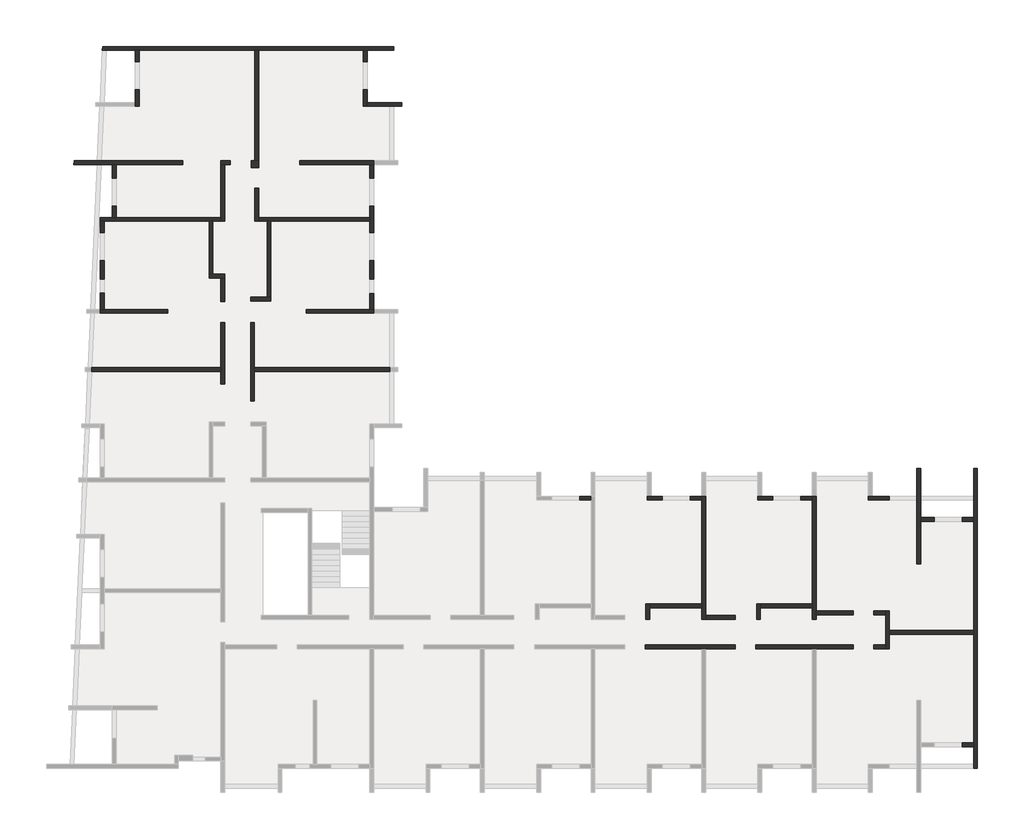
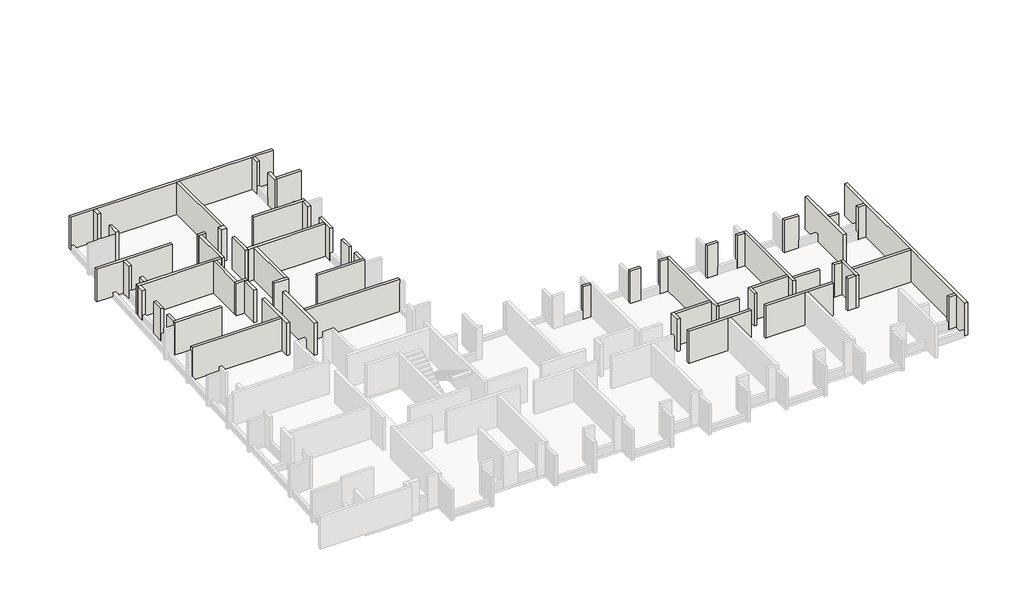
# One storey, part 2 of 4: 60 walls.
"""IFC4 building model written with IfcOpenShell, lengths in millimetres."""

from ifc_helpers import new_model, si_unit, frame, origin, place, context, project, spatial, polyline, outline, extrude, faceted_brep, element, save

model = new_model("IFC4")

# Units and contexts
model_context = context("Model", 3, world=origin())
ifc_project = project(units=[si_unit("LENGTHUNIT", "METRE", prefix="MILLI")], contexts=[model_context])

# Site, building, storey
site = spatial("IfcSite", under=ifc_project)
building = spatial("IfcBuilding", under=site)
storey = spatial("IfcBuildingStorey", under=building, Elevation=7230.0)

# Walls
placement = place(None, origin())
element("IfcWall", 1, ObjectType="MHA20", at=placement, inside=storey, context=model_context, shape_type="Brep", body=[
    faceted_brep([(-2535.6912908, -13279.0672499, 7230.0), (-2535.6912908, -12519.0672499, 7230.0), (-2535.6912908, -12319.0672499, 7230.0), (-2535.6912908, -11329.0672499, 7230.0), (-2535.6912908, -11329.0672499, 9760.0), (-2535.6912908, -12319.0672499, 9760.0), (-2535.6912908, -12519.0672499, 9760.0), (-2535.6912908, -13279.0672499, 9760.0), (-2735.6912908, -13279.0672499, 7230.0), (-2735.6912908, -13279.0672499, 9760.0), (-2735.6912908, -13079.0672499, 9760.0), (-2735.6912908, -11529.0672499, 9760.0), (-2735.6912908, -11329.0672499, 9760.0), (-2735.6912908, -11329.0672499, 7230.0), (-2735.6912908, -11529.0672499, 7230.0), (-2735.6912908, -13079.0672499, 7230.0)], [[[0, 1, 2, 3, 4, 5, 6, 7]], [[8, 9, 10, 11, 12, 13, 14, 15]], [[3, 2, 1, 0, 8, 15, 14, 13]], [[7, 6, 5, 4, 12, 11, 10, 9]], [[4, 3, 13, 12]], [[0, 7, 9, 8]]]),
])
element("IfcWall", 2, ObjectType="MHA20", at=placement, inside=storey, context=model_context, shape_type="SweptSolid", body=[
    extrude(outline(polyline([(1794.3087092, -12519.0672499), (-2535.6912908, -12519.0672499), (-2535.6912908, -12319.0672499), (1794.3087092, -12319.0672499), (1794.3087092, -12519.0672499)])), frame((0.0, 0.0, 7230.0), z_axis=(0.0, 0.0, 1.0), x_axis=(1.0, 0.0, 0.0)), (0.0, 0.0, 1.0), 2530.0),
])
element("IfcWall", 3, ObjectType="MHA20", at=placement, inside=storey, context=model_context, shape_type="Brep", body=[
    faceted_brep([(1994.3087092, -19419.0672499, 7230.0), (1994.3087092, -3999.0672499, 7230.0), (1994.3087092, -3999.0672499, 9760.0), (1994.3087092, -19419.0672499, 9760.0), (1794.3087092, -19419.0672499, 7230.0), (1794.3087092, -19419.0672499, 7550.0), (1794.3087092, -19419.0672499, 9610.0), (1794.3087092, -19419.0672499, 9760.0), (1794.3087092, -18319.0672499, 9760.0), (1794.3087092, -18119.0672499, 9760.0), (1794.3087092, -12519.0672499, 9760.0), (1794.3087092, -12319.0672499, 9760.0), (1794.3087092, -6719.0672499, 9760.0), (1794.3087092, -6519.0672499, 9760.0), (1794.3087092, -3999.0672499, 9760.0), (1794.3087092, -3999.0672499, 7230.0), (1794.3087092, -6519.0672499, 7230.0), (1794.3087092, -6719.0672499, 7230.0), (1794.3087092, -12319.0672499, 7230.0), (1794.3087092, -12519.0672499, 7230.0), (1794.3087092, -18119.0672499, 7230.0), (1794.3087092, -18319.0672499, 7230.0)], [[[0, 1, 2, 3]], [[4, 5, 6, 7, 8, 9, 10, 11, 12, 13, 14, 15, 16, 17, 18, 19, 20, 21]], [[1, 0, 4, 21, 20, 19, 18, 17, 16, 15]], [[2, 1, 15, 14]], [[3, 2, 14, 13, 12, 11, 10, 9, 8, 7]], [[0, 3, 7, 6, 5, 4]]]),
])
element("IfcWall", 4, ObjectType="MHA20", at=placement, inside=storey, context=model_context, shape_type="SweptSolid", body=[
    extrude(outline(polyline([(-2735.6912908, -11529.0672499), (-3335.6912908, -11529.0672499), (-3335.6912908, -11329.0672499), (-2735.6912908, -11329.0672499), (-2735.6912908, -11529.0672499)])), frame((0.0, 0.0, 7230.0), z_axis=(0.0, 0.0, 1.0), x_axis=(1.0, 0.0, 0.0)), (0.0, 0.0, 1.0), 2530.0),
])
element("IfcWall", 5, ObjectType="MHA20", at=placement, inside=storey, context=model_context, shape_type="SweptSolid", body=[
    extrude(outline(polyline([(-2735.6912908, -13279.0672499), (-3335.6912908, -13279.0672499), (-3335.6912908, -13079.0672499), (-2735.6912908, -13079.0672499), (-2735.6912908, -13279.0672499)])), frame((0.0, 0.0, 7230.0), z_axis=(0.0, 0.0, 1.0), x_axis=(1.0, 0.0, 0.0)), (0.0, 0.0, 1.0), 2530.0),
])
element("IfcWall", 6, ObjectType="MHA20", at=placement, inside=storey, context=model_context, shape_type="SweptSolid", body=[
    extrude(outline(polyline([(-6305.6912908, -11329.0672499), (-4395.6912908, -11329.0672499), (-4395.6912908, -11529.0672499), (-6305.6912908, -11529.0672499), (-6305.6912908, -11329.0672499)])), frame((0.0, 0.0, 7230.0), z_axis=(0.0, 0.0, 1.0), x_axis=(1.0, 0.0, 0.0)), (0.0, 0.0, 1.0), 2530.0),
])
element("IfcWall", 7, ObjectType="MHA20", at=placement, inside=storey, context=model_context, shape_type="Brep", body=[
    faceted_brep([(-4395.6912908, -13079.0672499, 7230.0), (-9410.6912908, -13079.0672499, 7230.0), (-9410.6912908, -13079.0672499, 9760.0), (-4395.6912908, -13079.0672499, 9760.0), (-4395.6912908, -13279.0672499, 7230.0), (-4395.6912908, -13279.0672499, 9760.0), (-6305.6912908, -13279.0672499, 9760.0), (-6505.6912908, -13279.0672499, 9760.0), (-9410.6912908, -13279.0672499, 9760.0), (-9410.6912908, -13279.0672499, 7230.0), (-6505.6912908, -13279.0672499, 7230.0), (-6305.6912908, -13279.0672499, 7230.0)], [[[0, 1, 2, 3]], [[4, 5, 6, 7, 8, 9, 10, 11]], [[1, 0, 4, 11, 10, 9]], [[2, 1, 9, 8]], [[3, 2, 8, 7, 6, 5]], [[0, 3, 5, 4]]]),
])
element("IfcWall", 8, ObjectType="MHA20", at=placement, inside=storey, context=model_context, shape_type="Brep", body=[
    faceted_brep([(-6305.6912908, -11759.0672499, 7230.0), (-6305.6912908, -11529.0672499, 7230.0), (-6305.6912908, -11329.0672499, 7230.0), (-6305.6912908, -5419.0672499, 7230.0), (-6305.6912908, -5419.0672499, 9460.0), (-6305.6912908, -5419.0672499, 9760.0), (-6305.6912908, -11329.0672499, 9760.0), (-6305.6912908, -11529.0672499, 9760.0), (-6305.6912908, -11759.0672499, 9760.0), (-6505.6912908, -11759.0672499, 7230.0), (-6505.6912908, -11759.0672499, 9760.0), (-6505.6912908, -11159.0672499, 9760.0), (-6505.6912908, -10959.0672499, 9760.0), (-6505.6912908, -5619.0672499, 9760.0), (-6505.6912908, -5419.0672499, 9760.0), (-6505.6912908, -5419.0672499, 9460.0), (-6505.6912908, -5419.0672499, 7230.0), (-6505.6912908, -5619.0672499, 7230.0), (-6505.6912908, -10959.0672499, 7230.0), (-6505.6912908, -11159.0672499, 7230.0)], [[[0, 1, 2, 3, 4, 5, 6, 7, 8]], [[9, 10, 11, 12, 13, 14, 15, 16, 17, 18, 19]], [[3, 2, 1, 0, 9, 19, 18, 17, 16]], [[8, 7, 6, 5, 14, 13, 12, 11, 10]], [[0, 8, 10, 9]], [[5, 4, 3, 16, 15, 14]]]),
])
element("IfcWall", 9, ObjectType="MHA20", at=placement, inside=storey, context=model_context, shape_type="SweptSolid", body=[
    extrude(outline(polyline([(1794.3087092, -18319.0672499), (1214.3087092, -18319.0672499), (1214.3087092, -18119.0672499), (1794.3087092, -18119.0672499), (1794.3087092, -18319.0672499)])), frame((0.0, 0.0, 7230.0), z_axis=(0.0, 0.0, 1.0), x_axis=(1.0, 0.0, 0.0)), (0.0, 0.0, 1.0), 2530.0),
])
element("IfcWall", 10, ObjectType="MHA20", at=placement, inside=storey, context=model_context, shape_type="SweptSolid", body=[
    extrude(outline(polyline([(-225.6912908, -6719.0672499), (-925.6912908, -6719.0672499), (-925.6912908, -6519.0672499), (-225.6912908, -6519.0672499), (-225.6912908, -6719.0672499)])), frame((0.0, 0.0, 7230.0), z_axis=(0.0, 0.0, 1.0), x_axis=(1.0, 0.0, 0.0)), (0.0, 0.0, 1.0), 2530.0),
])
element("IfcWall", 11, ObjectType="MHA20", at=placement, inside=storey, context=model_context, shape_type="SweptSolid", body=[
    extrude(outline(polyline([(1794.3087092, -6719.0672499), (1214.3087092, -6719.0672499), (1214.3087092, -6519.0672499), (1794.3087092, -6519.0672499), (1794.3087092, -6719.0672499)])), frame((0.0, 0.0, 7230.0), z_axis=(0.0, 0.0, 1.0), x_axis=(1.0, 0.0, 0.0)), (0.0, 0.0, 1.0), 2530.0),
])
element("IfcWall", 12, ObjectType="MHA20", at=placement, inside=storey, context=model_context, shape_type="Brep", body=[
    faceted_brep([(-1125.6912908, -3999.0672499, 7230.0), (-1125.6912908, -5419.0672499, 7230.0), (-1125.6912908, -5619.0672499, 7230.0), (-1125.6912908, -8899.0672499, 7230.0), (-1125.6912908, -8899.0672499, 9760.0), (-1125.6912908, -3999.0672499, 9760.0), (-925.6912908, -3999.0672499, 7230.0), (-925.6912908, -3999.0672499, 9760.0), (-925.6912908, -6519.0672499, 9760.0), (-925.6912908, -6719.0672499, 9760.0), (-925.6912908, -8899.0672499, 9760.0), (-925.6912908, -8899.0672499, 7230.0), (-925.6912908, -6719.0672499, 7230.0), (-925.6912908, -6519.0672499, 7230.0)], [[[0, 1, 2, 3, 4, 5]], [[6, 7, 8, 9, 10, 11, 12, 13]], [[3, 2, 1, 0, 6, 13, 12, 11]], [[4, 3, 11, 10]], [[5, 4, 10, 9, 8, 7]], [[0, 5, 7, 6]]]),
])
element("IfcWall", 13, ObjectType="MHA20", at=placement, inside=storey, context=model_context, shape_type="Brep", body=[
    faceted_brep([(-3615.6912908, -5619.0672499, 7230.0), (-2545.6912908, -5619.0672499, 7230.0), (-2545.6912908, -5619.0672499, 7830.0), (-2545.6912908, -5619.0672499, 9760.0), (-3615.6912908, -5619.0672499, 9760.0), (-3615.6912908, -5419.0672499, 7230.0), (-3615.6912908, -5419.0672499, 9460.0), (-3615.6912908, -5419.0672499, 9760.0), (-2545.6912908, -5419.0672499, 9760.0), (-2545.6912908, -5419.0672499, 7830.0), (-2545.6912908, -5419.0672499, 7230.0), (-3415.6912908, -5419.0672499, 7230.0)], [[[0, 1, 2, 3, 4]], [[5, 6, 7, 8, 9, 10, 11]], [[1, 0, 5, 11, 10]], [[3, 2, 1, 10, 9, 8]], [[4, 3, 8, 7]], [[0, 4, 7, 6, 5]]]),
])
element("IfcWall", 14, ObjectType="MHA20", at=placement, inside=storey, context=model_context, shape_type="Brep", body=[
    faceted_brep([(-11995.6912908, -11759.0672499, 7230.0), (-11995.6912908, -11559.0672499, 7230.0), (-11995.6912908, -5419.0672499, 7230.0), (-11995.6912908, -5419.0672499, 9460.0), (-11995.6912908, -5419.0672499, 9760.0), (-11995.6912908, -11559.0672499, 9760.0), (-11995.6912908, -11759.0672499, 9760.0), (-12195.6912908, -11759.0672499, 7230.0), (-12195.6912908, -11759.0672499, 9760.0), (-12195.6912908, -11159.0672499, 9760.0), (-12195.6912908, -10959.0672499, 9760.0), (-12195.6912908, -5619.0672499, 9760.0), (-12195.6912908, -5419.0672499, 9760.0), (-12195.6912908, -5419.0672499, 9460.0), (-12195.6912908, -5419.0672499, 7230.0), (-12195.6912908, -5619.0672499, 7230.0), (-12195.6912908, -10959.0672499, 7230.0), (-12195.6912908, -11159.0672499, 7230.0)], [[[0, 1, 2, 3, 4, 5, 6]], [[7, 8, 9, 10, 11, 12, 13, 14, 15, 16, 17]], [[2, 1, 0, 7, 17, 16, 15, 14]], [[6, 5, 4, 12, 11, 10, 9, 8]], [[0, 6, 8, 7]], [[4, 3, 2, 14, 13, 12]]]),
])
element("IfcWall", 15, ObjectType="MHA20", at=placement, inside=storey, context=model_context, shape_type="Brep", body=[
    faceted_brep([(-9305.6912908, -5619.0672499, 7230.0), (-8525.6912908, -5619.0672499, 7230.0), (-8525.6912908, -5619.0672499, 7830.0), (-8525.6912908, -5619.0672499, 9760.0), (-9305.6912908, -5619.0672499, 9760.0), (-9305.6912908, -5419.0672499, 7230.0), (-9305.6912908, -5419.0672499, 9460.0), (-9305.6912908, -5419.0672499, 9760.0), (-8525.6912908, -5419.0672499, 9760.0), (-8525.6912908, -5419.0672499, 7830.0), (-8525.6912908, -5419.0672499, 7230.0), (-9105.6912908, -5419.0672499, 7230.0)], [[[0, 1, 2, 3, 4]], [[5, 6, 7, 8, 9, 10, 11]], [[1, 0, 5, 11, 10]], [[3, 2, 1, 10, 9, 8]], [[4, 3, 8, 7]], [[0, 4, 7, 6, 5]]]),
])
element("IfcWall", 16, ObjectType="MHA20", at=placement, inside=storey, context=model_context, shape_type="Brep", body=[
    faceted_brep([(-14995.6912908, -5619.0672499, 7230.0), (-14215.6912908, -5619.0672499, 7230.0), (-14215.6912908, -5619.0672499, 7830.0), (-14215.6912908, -5619.0672499, 9760.0), (-14995.6912908, -5619.0672499, 9760.0), (-14995.6912908, -5419.0672499, 7230.0), (-14995.6912908, -5419.0672499, 9460.0), (-14995.6912908, -5419.0672499, 9760.0), (-14215.6912908, -5419.0672499, 9760.0), (-14215.6912908, -5419.0672499, 7830.0), (-14215.6912908, -5419.0672499, 7230.0), (-14795.6912908, -5419.0672499, 7230.0)], [[[0, 1, 2, 3, 4]], [[5, 6, 7, 8, 9, 10, 11]], [[1, 0, 5, 11, 10]], [[3, 2, 1, 10, 9, 8]], [[4, 3, 8, 7]], [[0, 4, 7, 6, 5]]]),
])
element("IfcWall", 17, ObjectType="MHA20", at=placement, inside=storey, context=model_context, shape_type="Brep", body=[
    faceted_brep([(-12775.6912908, -5619.0672499, 7230.0), (-12195.6912908, -5619.0672499, 7230.0), (-12195.6912908, -5619.0672499, 9760.0), (-12775.6912908, -5619.0672499, 9760.0), (-12775.6912908, -5619.0672499, 7830.0), (-12775.6912908, -5419.0672499, 7230.0), (-12775.6912908, -5419.0672499, 7830.0), (-12775.6912908, -5419.0672499, 9760.0), (-12195.6912908, -5419.0672499, 9760.0), (-12195.6912908, -5419.0672499, 7230.0)], [[[0, 1, 2, 3, 4]], [[5, 6, 7, 8, 9]], [[1, 0, 5, 9]], [[3, 2, 8, 7]], [[0, 4, 3, 7, 6, 5]], [[2, 1, 9, 8]]]),
])
element("IfcWall", 18, ObjectType="MHA20", at=placement, inside=storey, context=model_context, shape_type="Brep", body=[
    faceted_brep([(-18465.6912908, -5619.0672499, 7230.0), (-17885.6912908, -5619.0672499, 7230.0), (-17885.6912908, -5619.0672499, 9760.0), (-18465.6912908, -5619.0672499, 9760.0), (-18465.6912908, -5619.0672499, 7830.0), (-18465.6912908, -5419.0672499, 7230.0), (-18465.6912908, -5419.0672499, 7830.0), (-18465.6912908, -5419.0672499, 9760.0), (-17885.6912908, -5419.0672499, 9760.0), (-17885.6912908, -5419.0672499, 7230.0)], [[[0, 1, 2, 3, 4]], [[5, 6, 7, 8, 9]], [[1, 0, 5, 9]], [[3, 2, 8, 7]], [[0, 4, 3, 7, 6, 5]], [[2, 1, 9, 8]]]),
])
element("IfcWall", 19, ObjectType="MHA20", at=placement, inside=storey, context=model_context, shape_type="Brep", body=[
    faceted_brep([(-10470.6912908, -13079.0672499, 7230.0), (-15100.6912908, -13079.0672499, 7230.0), (-15100.6912908, -13079.0672499, 9760.0), (-10470.6912908, -13079.0672499, 9760.0), (-10470.6912908, -13279.0672499, 7230.0), (-10470.6912908, -13279.0672499, 9760.0), (-11995.6912908, -13279.0672499, 9760.0), (-12195.6912908, -13279.0672499, 9760.0), (-15100.6912908, -13279.0672499, 9760.0), (-15100.6912908, -13279.0672499, 7230.0), (-12195.6912908, -13279.0672499, 7230.0), (-11995.6912908, -13279.0672499, 7230.0)], [[[0, 1, 2, 3]], [[4, 5, 6, 7, 8, 9, 10, 11]], [[1, 0, 4, 11, 10, 9]], [[2, 1, 9, 8]], [[3, 2, 8, 7, 6, 5]], [[0, 3, 5, 4]]]),
])
element("IfcWall", 20, ObjectType="MHA20", at=placement, inside=storey, context=model_context, shape_type="SweptSolid", body=[
    extrude(outline(polyline([(-11995.6912908, -11559.0672499), (-10470.6912908, -11559.0672499), (-10470.6912908, -11759.0672499), (-11995.6912908, -11759.0672499), (-11995.6912908, -11559.0672499)])), frame((0.0, 0.0, 7230.0), z_axis=(0.0, 0.0, 1.0), x_axis=(1.0, 0.0, 0.0)), (0.0, 0.0, 1.0), 2530.0),
])
element("IfcWall", 21, ObjectType="MHA20", at=placement, inside=storey, context=model_context, shape_type="Brep", body=[
    faceted_brep([(-9170.6912908, -11759.0672499, 7230.0), (-9170.6912908, -11159.0672499, 7230.0), (-9170.6912908, -10959.0672499, 7230.0), (-9170.6912908, -10959.0672499, 9760.0), (-9170.6912908, -11159.0672499, 9760.0), (-9170.6912908, -11759.0672499, 9760.0), (-9370.6912908, -11759.0672499, 7230.0), (-9370.6912908, -11759.0672499, 9760.0), (-9370.6912908, -10959.0672499, 9760.0), (-9370.6912908, -10959.0672499, 7230.0)], [[[0, 1, 2, 3, 4, 5]], [[6, 7, 8, 9]], [[2, 1, 0, 6, 9]], [[5, 4, 3, 8, 7]], [[0, 5, 7, 6]], [[3, 2, 9, 8]]]),
])
element("IfcWall", 22, ObjectType="MHA20", at=placement, inside=storey, context=model_context, shape_type="SweptSolid", body=[
    extrude(outline(polyline([(-6505.6912908, -11159.0672499), (-9170.6912908, -11159.0672499), (-9170.6912908, -10959.0672499), (-6505.6912908, -10959.0672499), (-6505.6912908, -11159.0672499)])), frame((0.0, 0.0, 7230.0), z_axis=(0.0, 0.0, 1.0), x_axis=(1.0, 0.0, 0.0)), (0.0, 0.0, 1.0), 2530.0),
])
element("IfcWall", 23, ObjectType="MHA20", at=placement, inside=storey, context=model_context, shape_type="Brep", body=[
    faceted_brep([(-14860.6912908, -11759.0672499, 7230.0), (-14860.6912908, -11159.0672499, 7230.0), (-14860.6912908, -10959.0672499, 7230.0), (-14860.6912908, -10959.0672499, 9760.0), (-14860.6912908, -11159.0672499, 9760.0), (-14860.6912908, -11759.0672499, 9760.0), (-15060.6912908, -11759.0672499, 7230.0), (-15060.6912908, -11759.0672499, 9760.0), (-15060.6912908, -10959.0672499, 9760.0), (-15060.6912908, -10959.0672499, 7230.0)], [[[0, 1, 2, 3, 4, 5]], [[6, 7, 8, 9]], [[2, 1, 0, 6, 9]], [[5, 4, 3, 8, 7]], [[0, 5, 7, 6]], [[3, 2, 9, 8]]]),
])
element("IfcWall", 24, ObjectType="MHA20", at=placement, inside=storey, context=model_context, shape_type="SweptSolid", body=[
    extrude(outline(polyline([(-12195.6912908, -11159.0672499), (-14860.6912908, -11159.0672499), (-14860.6912908, -10959.0672499), (-12195.6912908, -10959.0672499), (-12195.6912908, -11159.0672499)])), frame((0.0, 0.0, 7230.0), z_axis=(0.0, 0.0, 1.0), x_axis=(1.0, 0.0, 0.0)), (0.0, 0.0, 1.0), 2530.0),
])
element("IfcWall", 25, ObjectType="MHA20", at=placement, inside=storey, context=model_context, shape_type="Brep", body=[
    faceted_brep([(-35205.6912908, -509.0672499, 7230.0), (-35205.6912908, 1000.9327501, 7230.0), (-35205.6912908, 1200.9327501, 7230.0), (-35205.6912908, 3530.9327501, 7230.0), (-35205.6912908, 3530.9327501, 9760.0), (-35205.6912908, 1200.9327501, 9760.0), (-35205.6912908, 1000.9327501, 9760.0), (-35205.6912908, -509.0672499, 9760.0), (-35405.6912908, -509.0672499, 7230.0), (-35405.6912908, -509.0672499, 9760.0), (-35405.6912908, 3530.9327501, 9760.0), (-35405.6912908, 3530.9327501, 7230.0)], [[[0, 1, 2, 3, 4, 5, 6, 7]], [[8, 9, 10, 11]], [[3, 2, 1, 0, 8, 11]], [[4, 3, 11, 10]], [[7, 6, 5, 4, 10, 9]], [[0, 7, 9, 8]]]),
])
element("IfcWall", 26, ObjectType="MHA20", at=placement, inside=storey, context=model_context, shape_type="Brep", body=[
    faceted_brep([(-29395.6912908, 16950.9327501, 7230.0), (-29395.6912908, 17530.9327501, 7230.0), (-29395.6912908, 17530.9327501, 9760.0), (-29395.6912908, 16950.9327501, 9760.0), (-29395.6912908, 16950.9327501, 7830.0), (-29595.6912908, 16950.9327501, 7230.0), (-29595.6912908, 16950.9327501, 7830.0), (-29595.6912908, 16950.9327501, 9760.0), (-29595.6912908, 17530.9327501, 9760.0), (-29595.6912908, 17530.9327501, 7230.0)], [[[0, 1, 2, 3, 4]], [[5, 6, 7, 8, 9]], [[1, 0, 5, 9]], [[3, 2, 8, 7]], [[0, 4, 3, 7, 6, 5]], [[2, 1, 9, 8]]]),
])
element("IfcWall", 27, ObjectType="MHA20", at=placement, inside=storey, context=model_context, shape_type="Brep", body=[
    faceted_brep([(-36935.6912908, 1000.9327501, 7230.0), (-36935.6912908, 1000.9327501, 9760.0), (-43571.6196137, 1000.9327501, 9760.0), (-43571.6196137, 1000.9327501, 9460.0), (-43571.6196137, 1000.9327501, 7230.0), (-36935.6912908, 1200.9327501, 9760.0), (-36935.6912908, 1200.9327501, 7230.0), (-43562.5466312, 1200.9327501, 7230.0), (-43562.5466312, 1200.9327501, 9460.0), (-43562.5466312, 1200.9327501, 9760.0)], [[[0, 1, 2, 3, 4]], [[5, 6, 7, 8, 9]], [[6, 0, 4, 7]], [[1, 5, 9, 2]], [[4, 3, 2, 9, 8, 7]], [[1, 0, 6, 5]]]),
])
element("IfcWall", 28, ObjectType="MHA20", at=placement, inside=storey, context=model_context, shape_type="Brep", body=[
    faceted_brep([(-35205.6912908, 1000.9327501, 7230.0), (-28235.6912908, 1000.9327501, 7230.0), (-28235.6912908, 1000.9327501, 9460.0), (-28235.6912908, 1000.9327501, 9760.0), (-35205.6912908, 1000.9327501, 9760.0), (-35205.6912908, 1200.9327501, 7230.0), (-35205.6912908, 1200.9327501, 9760.0), (-28235.6912908, 1200.9327501, 9760.0), (-28235.6912908, 1200.9327501, 9460.0), (-28235.6912908, 1200.9327501, 7230.0)], [[[0, 1, 2, 3, 4]], [[5, 6, 7, 8, 9]], [[1, 0, 5, 9]], [[3, 2, 1, 9, 8, 7]], [[4, 3, 7, 6]], [[0, 4, 6, 5]]]),
])
element("IfcWall", 29, ObjectType="MHA20", at=placement, inside=storey, context=model_context, shape_type="Brep", body=[
    faceted_brep([(-35405.6912908, 4620.9327501, 7230.0), (-34355.6912908, 4620.9327501, 7230.0), (-34355.6912908, 4620.9327501, 9760.0), (-35405.6912908, 4620.9327501, 9760.0), (-35405.6912908, 4820.9327501, 7230.0), (-35405.6912908, 4820.9327501, 9760.0), (-34555.6912908, 4820.9327501, 9760.0), (-34355.6912908, 4820.9327501, 9760.0), (-34355.6912908, 4820.9327501, 7230.0), (-34555.6912908, 4820.9327501, 7230.0)], [[[0, 1, 2, 3]], [[4, 5, 6, 7, 8, 9]], [[1, 0, 4, 9, 8]], [[3, 2, 7, 6, 5]], [[0, 3, 5, 4]], [[2, 1, 8, 7]]]),
])
element("IfcWall", 30, ObjectType="MHA20", at=placement, inside=storey, context=model_context, shape_type="SweptSolid", body=[
    extrude(outline(polyline([(-34355.6912908, 8730.9327501), (-34355.6912908, 4820.9327501), (-34555.6912908, 4820.9327501), (-34555.6912908, 8730.9327501), (-34355.6912908, 8730.9327501)])), frame((0.0, 0.0, 7230.0), z_axis=(0.0, 0.0, 1.0), x_axis=(1.0, 0.0, 0.0)), (0.0, 0.0, 1.0), 2530.0),
])
element("IfcWall", 31, ObjectType="MHA20", at=placement, inside=storey, context=model_context, shape_type="Brep", body=[
    faceted_brep([(-29065.6912908, 4200.9327501, 7230.0), (-29065.6912908, 5020.9327501, 7230.0), (-29065.6912908, 5020.9327501, 7830.0), (-29065.6912908, 5020.9327501, 9760.0), (-29065.6912908, 4200.9327501, 9760.0), (-29265.6912908, 4200.9327501, 7230.0), (-29265.6912908, 4200.9327501, 9760.0), (-29265.6912908, 5020.9327501, 9760.0), (-29265.6912908, 5020.9327501, 7830.0), (-29265.6912908, 5020.9327501, 7230.0)], [[[0, 1, 2, 3, 4]], [[5, 6, 7, 8, 9]], [[1, 0, 5, 9]], [[3, 2, 1, 9, 8, 7]], [[4, 3, 7, 6]], [[0, 4, 6, 5]]]),
])
element("IfcWall", 32, ObjectType="MHA20", at=placement, inside=storey, context=model_context, shape_type="Brep", body=[
    faceted_brep([(-29065.6912908, 5760.9327501, 7230.0), (-29065.6912908, 6710.9327501, 7230.0), (-29065.6912908, 6710.9327501, 7830.0), (-29065.6912908, 6710.9327501, 9760.0), (-29065.6912908, 5760.9327501, 9760.0), (-29065.6912908, 5760.9327501, 7830.0), (-29265.6912908, 5760.9327501, 7230.0), (-29265.6912908, 5760.9327501, 7830.0), (-29265.6912908, 5760.9327501, 9760.0), (-29265.6912908, 6710.9327501, 9760.0), (-29265.6912908, 6710.9327501, 7830.0), (-29265.6912908, 6710.9327501, 7230.0)], [[[0, 1, 2, 3, 4, 5]], [[6, 7, 8, 9, 10, 11]], [[1, 0, 6, 11]], [[3, 2, 1, 11, 10, 9]], [[4, 3, 9, 8]], [[0, 5, 4, 8, 7, 6]]]),
])
element("IfcWall", 33, ObjectType="MHA20", at=placement, inside=storey, context=model_context, shape_type="Brep", body=[
    faceted_brep([(-29065.6912908, 8150.9327501, 7230.0), (-29065.6912908, 9510.9327501, 7230.0), (-29065.6912908, 9510.9327501, 9760.0), (-29065.6912908, 8150.9327501, 9760.0), (-29065.6912908, 8150.9327501, 7830.0), (-29265.6912908, 8150.9327501, 7230.0), (-29265.6912908, 8150.9327501, 7830.0), (-29265.6912908, 8150.9327501, 9760.0), (-29265.6912908, 8730.9327501, 9760.0), (-29265.6912908, 8930.9327501, 9760.0), (-29265.6912908, 9510.9327501, 9760.0), (-29265.6912908, 9510.9327501, 7230.0), (-29265.6912908, 8930.9327501, 7230.0), (-29265.6912908, 8730.9327501, 7230.0)], [[[0, 1, 2, 3, 4]], [[5, 6, 7, 8, 9, 10, 11, 12, 13]], [[1, 0, 5, 13, 12, 11]], [[2, 1, 11, 10]], [[3, 2, 10, 9, 8, 7]], [[0, 4, 3, 7, 6, 5]]]),
])
element("IfcWall", 34, ObjectType="MHA20", at=placement, inside=storey, context=model_context, shape_type="SweptSolid", body=[
    extrude(outline(polyline([(-29065.6912908, 11650.9327501), (-29065.6912908, 10950.9327501), (-29265.6912908, 10950.9327501), (-29265.6912908, 11650.9327501), (-29065.6912908, 11650.9327501)])), frame((0.0, 0.0, 7230.0), z_axis=(0.0, 0.0, 1.0), x_axis=(1.0, 0.0, 0.0)), (0.0, 0.0, 1.0), 2530.0),
])
element("IfcWall", 35, ObjectType="MHA20", at=placement, inside=storey, context=model_context, shape_type="Brep", body=[
    faceted_brep([(-29595.6912908, 15510.9327501, 7230.0), (-29595.6912908, 14650.9327501, 7230.0), (-29595.6912908, 14650.9327501, 9760.0), (-29595.6912908, 15510.9327501, 9760.0), (-29595.6912908, 15510.9327501, 7830.0), (-29395.6912908, 15510.9327501, 7230.0), (-29395.6912908, 15510.9327501, 7830.0), (-29395.6912908, 15510.9327501, 9760.0), (-29395.6912908, 14850.9327501, 9760.0), (-29395.6912908, 14650.9327501, 9760.0), (-29395.6912908, 14650.9327501, 7230.0), (-29395.6912908, 14850.9327501, 7230.0)], [[[0, 1, 2, 3, 4]], [[5, 6, 7, 8, 9, 10, 11]], [[1, 0, 5, 11, 10]], [[3, 2, 9, 8, 7]], [[0, 4, 3, 7, 6, 5]], [[2, 1, 10, 9]]]),
])
element("IfcWall", 36, ObjectType="MHA20", at=placement, inside=storey, context=model_context, shape_type="SweptSolid", body=[
    extrude(outline(polyline([(-35175.6912908, 11850.9327501), (-35175.6912908, 17530.9327501), (-34975.6912908, 17530.9327501), (-34975.6912908, 11850.9327501), (-35175.6912908, 11850.9327501)])), frame((0.0, 0.0, 7230.0), z_axis=(0.0, 0.0, 1.0), x_axis=(1.0, 0.0, 0.0)), (0.0, 0.0, 1.0), 2530.0),
])
element("IfcWall", 37, ObjectType="MHA20", at=placement, inside=storey, context=model_context, shape_type="Brep", body=[
    faceted_brep([(-35175.6912908, 10430.9327501, 7230.0), (-35175.6912908, 8730.9327501, 7230.0), (-35175.6912908, 8730.9327501, 9760.0), (-35175.6912908, 10430.9327501, 9760.0), (-34975.6912908, 10430.9327501, 7230.0), (-34975.6912908, 10430.9327501, 9760.0), (-34975.6912908, 8930.9327501, 9760.0), (-34975.6912908, 8730.9327501, 9760.0), (-34975.6912908, 8730.9327501, 7230.0), (-34975.6912908, 8930.9327501, 7230.0)], [[[0, 1, 2, 3]], [[4, 5, 6, 7, 8, 9]], [[1, 0, 4, 9, 8]], [[3, 2, 7, 6, 5]], [[0, 3, 5, 4]], [[2, 1, 8, 7]]]),
])
element("IfcWall", 38, ObjectType="MHA20", at=placement, inside=storey, context=model_context, shape_type="Brep", body=[
    faceted_brep([(-36735.6912908, 360.9327501, 7230.0), (-36735.6912908, 3530.9327501, 7230.0), (-36735.6912908, 3530.9327501, 9760.0), (-36735.6912908, 360.9327501, 9760.0), (-36935.6912908, 360.9327501, 7230.0), (-36935.6912908, 360.9327501, 9760.0), (-36935.6912908, 1000.9327501, 9760.0), (-36935.6912908, 1200.9327501, 9760.0), (-36935.6912908, 3530.9327501, 9760.0), (-36935.6912908, 3530.9327501, 7230.0), (-36935.6912908, 1200.9327501, 7230.0), (-36935.6912908, 1000.9327501, 7230.0)], [[[0, 1, 2, 3]], [[4, 5, 6, 7, 8, 9, 10, 11]], [[1, 0, 4, 11, 10, 9]], [[2, 1, 9, 8]], [[3, 2, 8, 7, 6, 5]], [[0, 3, 5, 4]]]),
])
element("IfcWall", 39, ObjectType="MHA20", at=placement, inside=storey, context=model_context, shape_type="Brep", body=[
    faceted_brep([(-41135.6912908, 14650.9327501, 7230.0), (-41135.6912908, 15510.9327501, 7230.0), (-41135.6912908, 15510.9327501, 7830.0), (-41135.6912908, 15510.9327501, 9760.0), (-41135.6912908, 14650.9327501, 9760.0), (-41335.6912908, 14650.9327501, 7230.0), (-41335.6912908, 14650.9327501, 9760.0), (-41335.6912908, 15510.9327501, 9760.0), (-41335.6912908, 15510.9327501, 7830.0), (-41335.6912908, 15510.9327501, 7230.0)], [[[0, 1, 2, 3, 4]], [[5, 6, 7, 8, 9]], [[1, 0, 5, 9]], [[3, 2, 1, 9, 8, 7]], [[4, 3, 7, 6]], [[0, 4, 6, 5]]]),
])
element("IfcWall", 40, ObjectType="MHA20", at=placement, inside=storey, context=model_context, shape_type="Brep", body=[
    faceted_brep([(-41135.6912908, 16950.9327501, 7230.0), (-41135.6912908, 17530.9327501, 7230.0), (-41135.6912908, 17530.9327501, 9760.0), (-41135.6912908, 16950.9327501, 9760.0), (-41135.6912908, 16950.9327501, 7830.0), (-41335.6912908, 16950.9327501, 7230.0), (-41335.6912908, 16950.9327501, 7830.0), (-41335.6912908, 16950.9327501, 9760.0), (-41335.6912908, 17530.9327501, 9760.0), (-41335.6912908, 17530.9327501, 7230.0)], [[[0, 1, 2, 3, 4]], [[5, 6, 7, 8, 9]], [[1, 0, 5, 9]], [[3, 2, 8, 7]], [[0, 4, 3, 7, 6, 5]], [[2, 1, 9, 8]]]),
])
element("IfcWall", 41, ObjectType="MHA20", at=placement, inside=storey, context=model_context, shape_type="Brep", body=[
    faceted_brep([(-36735.6912908, 8730.9327501, 7230.0), (-36735.6912908, 11650.9327501, 7230.0), (-36735.6912908, 11650.9327501, 9760.0), (-36735.6912908, 8730.9327501, 9760.0), (-36935.6912908, 8730.9327501, 7230.0), (-36935.6912908, 8730.9327501, 9760.0), (-36935.6912908, 8930.9327501, 9760.0), (-36935.6912908, 11650.9327501, 9760.0), (-36935.6912908, 11650.9327501, 7230.0), (-36935.6912908, 8930.9327501, 7230.0)], [[[0, 1, 2, 3]], [[4, 5, 6, 7, 8, 9]], [[1, 0, 4, 9, 8]], [[3, 2, 7, 6, 5]], [[2, 1, 8, 7]], [[0, 3, 5, 4]]]),
])
element("IfcWall", 42, ObjectType="MHA20", at=placement, inside=storey, context=model_context, shape_type="Brep", body=[
    faceted_brep([(-36935.6912908, 8930.9327501, 7230.0), (-42325.6912908, 8930.9327501, 7230.0), (-42525.6912908, 8930.9327501, 7230.0), (-43135.6912908, 8930.9327501, 7230.0), (-43135.6912908, 8930.9327501, 9760.0), (-42525.6912908, 8930.9327501, 9760.0), (-42325.6912908, 8930.9327501, 9760.0), (-36935.6912908, 8930.9327501, 9760.0), (-36935.6912908, 8730.9327501, 7230.0), (-36935.6912908, 8730.9327501, 9760.0), (-37335.6912908, 8730.9327501, 9760.0), (-37535.6912908, 8730.9327501, 9760.0), (-42935.6912908, 8730.9327501, 9760.0), (-43135.6912908, 8730.9327501, 9760.0), (-43135.6912908, 8730.9327501, 7230.0), (-42935.6912908, 8730.9327501, 7230.0), (-37535.6912908, 8730.9327501, 7230.0), (-37335.6912908, 8730.9327501, 7230.0)], [[[0, 1, 2, 3, 4, 5, 6, 7]], [[8, 9, 10, 11, 12, 13, 14, 15, 16, 17]], [[3, 2, 1, 0, 8, 17, 16, 15, 14]], [[7, 6, 5, 4, 13, 12, 11, 10, 9]], [[4, 3, 14, 13]], [[0, 7, 9, 8]]]),
])
element("IfcWall", 43, ObjectType="MHA20", at=placement, inside=storey, context=model_context, shape_type="SweptSolid", body=[
    extrude(outline(polyline([(-37535.6912908, 6010.9327501), (-37535.6912908, 8730.9327501), (-37335.6912908, 8730.9327501), (-37335.6912908, 6010.9327501), (-37535.6912908, 6010.9327501)])), frame((0.0, 0.0, 7230.0), z_axis=(0.0, 0.0, 1.0), x_axis=(1.0, 0.0, 0.0)), (0.0, 0.0, 1.0), 2530.0),
])
element("IfcWall", 44, ObjectType="MHA20", at=placement, inside=storey, context=model_context, shape_type="Brep", body=[
    faceted_brep([(-37535.6912908, 5810.9327501, 7230.0), (-36935.6912908, 5810.9327501, 7230.0), (-36735.6912908, 5810.9327501, 7230.0), (-36735.6912908, 5810.9327501, 9760.0), (-36935.6912908, 5810.9327501, 9760.0), (-37535.6912908, 5810.9327501, 9760.0), (-37535.6912908, 6010.9327501, 7230.0), (-37535.6912908, 6010.9327501, 9760.0), (-37335.6912908, 6010.9327501, 9760.0), (-36735.6912908, 6010.9327501, 9760.0), (-36735.6912908, 6010.9327501, 7230.0), (-37335.6912908, 6010.9327501, 7230.0)], [[[0, 1, 2, 3, 4, 5]], [[6, 7, 8, 9, 10, 11]], [[2, 1, 0, 6, 11, 10]], [[5, 4, 3, 9, 8, 7]], [[0, 5, 7, 6]], [[3, 2, 10, 9]]]),
])
element("IfcWall", 45, ObjectType="MHA20", at=placement, inside=storey, context=model_context, shape_type="Brep", body=[
    faceted_brep([(-39655.6912908, 4200.9327501, 7230.0), (-42935.6912908, 4200.9327501, 7230.0), (-43135.6912908, 4200.9327501, 7230.0), (-43135.6912908, 4200.9327501, 9460.0), (-43135.6912908, 4200.9327501, 9610.0), (-43135.6912908, 4200.9327501, 9760.0), (-42935.6912908, 4200.9327501, 9760.0), (-39655.6912908, 4200.9327501, 9760.0), (-39655.6912908, 4000.9327501, 7230.0), (-39655.6912908, 4000.9327501, 9760.0), (-43135.6912908, 4000.9327501, 9760.0), (-43135.6912908, 4000.9327501, 9610.0), (-43135.6912908, 4000.9327501, 9460.0), (-43135.6912908, 4000.9327501, 7230.0)], [[[0, 1, 2, 3, 4, 5, 6, 7]], [[8, 9, 10, 11, 12, 13]], [[2, 1, 0, 8, 13]], [[7, 6, 5, 10, 9]], [[0, 7, 9, 8]], [[5, 4, 3, 2, 13, 12, 11, 10]]]),
])
element("IfcWall", 46, ObjectType="MHA20", at=placement, inside=storey, context=model_context, shape_type="SweptSolid", body=[
    extrude(outline(polyline([(-36935.6912908, 4590.9327501), (-36935.6912908, 5810.9327501), (-36735.6912908, 5810.9327501), (-36735.6912908, 4590.9327501), (-36935.6912908, 4590.9327501)])), frame((0.0, 0.0, 7230.0), z_axis=(0.0, 0.0, 1.0), x_axis=(1.0, 0.0, 0.0)), (0.0, 0.0, 1.0), 2530.0),
])
element("IfcWall", 47, ObjectType="MHA20", at=placement, inside=storey, context=model_context, shape_type="Brep", body=[
    faceted_brep([(-42325.6912908, 8930.9327501, 7230.0), (-42325.6912908, 9510.9327501, 7230.0), (-42325.6912908, 9510.9327501, 7830.0), (-42325.6912908, 9510.9327501, 9760.0), (-42325.6912908, 8930.9327501, 9760.0), (-42525.6912908, 8930.9327501, 7230.0), (-42525.6912908, 8930.9327501, 9760.0), (-42525.6912908, 9510.9327501, 9760.0), (-42525.6912908, 9510.9327501, 7830.0), (-42525.6912908, 9510.9327501, 7230.0)], [[[0, 1, 2, 3, 4]], [[5, 6, 7, 8, 9]], [[1, 0, 5, 9]], [[3, 2, 1, 9, 8, 7]], [[4, 3, 7, 6]], [[0, 4, 6, 5]]]),
])
element("IfcWall", 48, ObjectType="MHA20", at=placement, inside=storey, context=model_context, shape_type="Brep", body=[
    faceted_brep([(-42935.6912908, 5770.9327501, 7230.0), (-42935.6912908, 6710.9327501, 7230.0), (-42935.6912908, 6710.9327501, 7830.0), (-42935.6912908, 6710.9327501, 9760.0), (-42935.6912908, 5770.9327501, 9760.0), (-42935.6912908, 5770.9327501, 7830.0), (-43135.6912908, 5770.9327501, 7230.0), (-43135.6912908, 5770.9327501, 7830.0), (-43135.6912908, 5770.9327501, 9760.0), (-43135.6912908, 6710.9327501, 9760.0), (-43135.6912908, 6710.9327501, 7830.0), (-43135.6912908, 6710.9327501, 7230.0)], [[[0, 1, 2, 3, 4, 5]], [[6, 7, 8, 9, 10, 11]], [[1, 0, 6, 11]], [[3, 2, 1, 11, 10, 9]], [[4, 3, 9, 8]], [[0, 5, 4, 8, 7, 6]]]),
])
element("IfcWall", 49, ObjectType="MHA20", at=placement, inside=storey, context=model_context, shape_type="Brep", body=[
    faceted_brep([(-42325.6912908, 10950.9327501, 7230.0), (-42325.6912908, 11650.9327501, 7230.0), (-42325.6912908, 11650.9327501, 9760.0), (-42325.6912908, 10950.9327501, 9760.0), (-42325.6912908, 10950.9327501, 7830.0), (-42525.6912908, 10950.9327501, 7230.0), (-42525.6912908, 10950.9327501, 7830.0), (-42525.6912908, 10950.9327501, 9760.0), (-42525.6912908, 11650.9327501, 9760.0), (-42525.6912908, 11650.9327501, 7230.0)], [[[0, 1, 2, 3, 4]], [[5, 6, 7, 8, 9]], [[1, 0, 5, 9]], [[3, 2, 8, 7]], [[0, 4, 3, 7, 6, 5]], [[2, 1, 9, 8]]]),
])
element("IfcWall", 50, ObjectType="MHA20", at=placement, inside=storey, context=model_context, shape_type="Brep", body=[
    faceted_brep([(-42935.6912908, 8150.9327501, 7230.0), (-42935.6912908, 8730.9327501, 7230.0), (-42935.6912908, 8730.9327501, 9760.0), (-42935.6912908, 8150.9327501, 9760.0), (-42935.6912908, 8150.9327501, 7830.0), (-43135.6912908, 8150.9327501, 7230.0), (-43135.6912908, 8150.9327501, 7830.0), (-43135.6912908, 8150.9327501, 9760.0), (-43135.6912908, 8730.9327501, 9760.0), (-43135.6912908, 8730.9327501, 7230.0)], [[[0, 1, 2, 3, 4]], [[5, 6, 7, 8, 9]], [[1, 0, 5, 9]], [[3, 2, 8, 7]], [[0, 4, 3, 7, 6, 5]], [[2, 1, 9, 8]]]),
])
element("IfcWall", 51, ObjectType="MHA20", at=placement, inside=storey, context=model_context, shape_type="Brep", body=[
    faceted_brep([(-43135.6912908, 5030.9327501, 7230.0), (-43135.6912908, 4200.9327501, 7230.0), (-43135.6912908, 4200.9327501, 9760.0), (-43135.6912908, 5030.9327501, 9760.0), (-43135.6912908, 5030.9327501, 7830.0), (-42935.6912908, 5030.9327501, 7230.0), (-42935.6912908, 5030.9327501, 7830.0), (-42935.6912908, 5030.9327501, 9760.0), (-42935.6912908, 4200.9327501, 9760.0), (-42935.6912908, 4200.9327501, 7230.0)], [[[0, 1, 2, 3, 4]], [[5, 6, 7, 8, 9]], [[1, 0, 5, 9]], [[3, 2, 8, 7]], [[0, 4, 3, 7, 6, 5]], [[2, 1, 9, 8]]]),
])
element("IfcWall", 52, ObjectType="MHA20", at=placement, inside=storey, context=model_context, shape_type="Brep", body=[
    faceted_brep([(-7085.6912908, -5619.0672499, 7230.0), (-6505.6912908, -5619.0672499, 7230.0), (-6505.6912908, -5619.0672499, 9760.0), (-7085.6912908, -5619.0672499, 9760.0), (-7085.6912908, -5619.0672499, 7830.0), (-7085.6912908, -5419.0672499, 7230.0), (-7085.6912908, -5419.0672499, 7830.0), (-7085.6912908, -5419.0672499, 9760.0), (-6505.6912908, -5419.0672499, 9760.0), (-6505.6912908, -5419.0672499, 7230.0)], [[[0, 1, 2, 3, 4]], [[5, 6, 7, 8, 9]], [[1, 0, 5, 9]], [[3, 2, 8, 7]], [[0, 4, 3, 7, 6, 5]], [[2, 1, 9, 8]]]),
])
element("IfcWall", 53, ObjectType="MHA20", at=placement, inside=storey, context=model_context, shape_type="Brep", body=[
    faceted_brep([(-38895.6912908, 11850.9327501, 9760.0), (-38895.6912908, 11850.9327501, 7230.0), (-44480.8501575, 11850.9327501, 7230.0), (-44480.8501575, 11850.9327501, 9760.0), (-38895.6912908, 11650.9327501, 7230.0), (-38895.6912908, 11650.9327501, 9760.0), (-42325.6912908, 11650.9327501, 9760.0), (-42525.6912908, 11650.9327501, 9760.0), (-44489.92314, 11650.9327501, 9760.0), (-44489.92314, 11650.9327501, 7230.0), (-42525.6912908, 11650.9327501, 7230.0), (-42325.6912908, 11650.9327501, 7230.0)], [[[0, 1, 2, 3]], [[4, 5, 6, 7, 8, 9, 10, 11]], [[1, 4, 11, 10, 9, 2]], [[5, 0, 3, 8, 7, 6]], [[1, 0, 5, 4]], [[3, 2, 9, 8]]]),
])
element("IfcWall", 54, ObjectType="MHA20", at=placement, inside=storey, context=model_context, shape_type="Brep", body=[
    faceted_brep([(-36435.6912908, 11850.9327501, 7230.0), (-36935.6912908, 11850.9327501, 7230.0), (-36935.6912908, 11850.9327501, 9760.0), (-36435.6912908, 11850.9327501, 9760.0), (-36435.6912908, 11650.9327501, 7230.0), (-36435.6912908, 11650.9327501, 9760.0), (-36735.6912908, 11650.9327501, 9760.0), (-36935.6912908, 11650.9327501, 9760.0), (-36935.6912908, 11650.9327501, 7230.0), (-36735.6912908, 11650.9327501, 7230.0)], [[[0, 1, 2, 3]], [[4, 5, 6, 7, 8, 9]], [[1, 0, 4, 9, 8]], [[3, 2, 7, 6, 5]], [[0, 3, 5, 4]], [[2, 1, 8, 7]]]),
])
element("IfcWall", 55, ObjectType="MHA20", at=placement, inside=storey, context=model_context, shape_type="Brep", body=[
    faceted_brep([(-28035.6912908, 17530.9327501, 7230.0), (-28035.6912908, 17530.9327501, 9760.0), (-29395.6912908, 17530.9327501, 9760.0), (-29595.6912908, 17530.9327501, 9760.0), (-34975.6912908, 17530.9327501, 9760.0), (-35175.6912908, 17530.9327501, 9760.0), (-41135.6912908, 17530.9327501, 9760.0), (-41335.6912908, 17530.9327501, 9760.0), (-43021.9433052, 17530.9327501, 9760.0), (-43021.9433052, 17530.9327501, 7530.0), (-43021.9433052, 17530.9327501, 7230.0), (-42821.7376134, 17530.9327501, 7230.0), (-41335.6912908, 17530.9327501, 7230.0), (-41135.6912908, 17530.9327501, 7230.0), (-35175.6912908, 17530.9327501, 7230.0), (-34975.6912908, 17530.9327501, 7230.0), (-29595.6912908, 17530.9327501, 7230.0), (-29395.6912908, 17530.9327501, 7230.0), (-28035.6912908, 17730.9327501, 9760.0), (-28035.6912908, 17730.9327501, 7230.0), (-43012.8703227, 17730.9327501, 7230.0), (-43012.8703227, 17730.9327501, 9760.0)], [[[0, 1, 2, 3, 4, 5, 6, 7, 8, 9, 10, 11, 12, 13, 14, 15, 16, 17]], [[18, 19, 20, 21]], [[19, 0, 17, 16, 15, 14, 13, 12, 11, 10, 20]], [[1, 0, 19, 18]], [[1, 18, 21, 8, 7, 6, 5, 4, 3, 2]], [[10, 9, 8, 21, 20]]]),
])
element("IfcWall", 56, ObjectType="MHA20", at=placement, inside=storey, context=model_context, shape_type="Brep", body=[
    faceted_brep([(-32865.6912908, 11650.9327501, 7230.0), (-29265.6912908, 11650.9327501, 7230.0), (-29065.6912908, 11650.9327501, 7230.0), (-29065.6912908, 11650.9327501, 9460.0), (-29065.6912908, 11650.9327501, 9760.0), (-29265.6912908, 11650.9327501, 9760.0), (-32865.6912908, 11650.9327501, 9760.0), (-32865.6912908, 11850.9327501, 7230.0), (-32865.6912908, 11850.9327501, 9760.0), (-29065.6912908, 11850.9327501, 9760.0), (-29065.6912908, 11850.9327501, 9460.0), (-29065.6912908, 11850.9327501, 7230.0)], [[[0, 1, 2, 3, 4, 5, 6]], [[7, 8, 9, 10, 11]], [[2, 1, 0, 7, 11]], [[6, 5, 4, 9, 8]], [[0, 6, 8, 7]], [[4, 3, 2, 11, 10, 9]]]),
])
element("IfcWall", 57, ObjectType="MHA20", at=placement, inside=storey, context=model_context, shape_type="Brep", body=[
    faceted_brep([(-34975.6912908, 8730.9327501, 7230.0), (-34555.6912908, 8730.9327501, 7230.0), (-34355.6912908, 8730.9327501, 7230.0), (-29265.6912908, 8730.9327501, 7230.0), (-29265.6912908, 8730.9327501, 9760.0), (-34355.6912908, 8730.9327501, 9760.0), (-34555.6912908, 8730.9327501, 9760.0), (-34975.6912908, 8730.9327501, 9760.0), (-34975.6912908, 8930.9327501, 7230.0), (-34975.6912908, 8930.9327501, 9760.0), (-29265.6912908, 8930.9327501, 9760.0), (-29265.6912908, 8930.9327501, 7230.0)], [[[0, 1, 2, 3, 4, 5, 6, 7]], [[8, 9, 10, 11]], [[3, 2, 1, 0, 8, 11]], [[7, 6, 5, 4, 10, 9]], [[4, 3, 11, 10]], [[0, 7, 9, 8]]]),
])
element("IfcWall", 58, ObjectType="MHA20", at=placement, inside=storey, context=model_context, shape_type="Brep", body=[
    faceted_brep([(-29065.6912908, 4200.9327501, 7230.0), (-29265.6912908, 4200.9327501, 7230.0), (-32545.6912908, 4200.9327501, 7230.0), (-32545.6912908, 4200.9327501, 9760.0), (-29265.6912908, 4200.9327501, 9760.0), (-29065.6912908, 4200.9327501, 9760.0), (-29065.6912908, 4200.9327501, 9460.0), (-29065.6912908, 4000.9327501, 7230.0), (-29065.6912908, 4000.9327501, 9460.0), (-29065.6912908, 4000.9327501, 9760.0), (-32545.6912908, 4000.9327501, 9760.0), (-32545.6912908, 4000.9327501, 7230.0)], [[[0, 1, 2, 3, 4, 5, 6]], [[7, 8, 9, 10, 11]], [[2, 1, 0, 7, 11]], [[3, 2, 11, 10]], [[5, 4, 3, 10, 9]], [[0, 6, 5, 9, 8, 7]]]),
])
element("IfcWall", 59, ObjectType="MHA20", at=placement, inside=storey, context=model_context, shape_type="Brep", body=[
    faceted_brep([(-29395.6912908, 14650.9327501, 7230.0), (-28235.6912908, 14650.9327501, 7230.0), (-28035.6912908, 14650.9327501, 7230.0), (-27635.6912908, 14650.9327501, 7230.0), (-27635.6912908, 14650.9327501, 9760.0), (-29395.6912908, 14650.9327501, 9760.0), (-29395.6912908, 14850.9327501, 7230.0), (-29395.6912908, 14850.9327501, 9760.0), (-27635.6912908, 14850.9327501, 9760.0), (-27635.6912908, 14850.9327501, 7230.0)], [[[0, 1, 2, 3, 4, 5]], [[6, 7, 8, 9]], [[3, 2, 1, 0, 6, 9]], [[4, 3, 9, 8]], [[5, 4, 8, 7]], [[0, 5, 7, 6]]]),
])
element("IfcWall", 60, ObjectType="MHA35", at=placement, inside=storey, context=model_context, shape_type="SweptSolid", body=[
    extrude(outline(polyline([(-35365.6912908, 11850.9327501), (-34975.6912908, 11850.9327501), (-34975.6912908, 11500.9327501), (-35365.6912908, 11500.9327501), (-35365.6912908, 11850.9327501)])), frame((0.0, 0.0, 7230.0), z_axis=(0.0, 0.0, 1.0), x_axis=(1.0, 0.0, 0.0)), (0.0, 0.0, 1.0), 2530.0),
])

save(model, "model.ifc")
